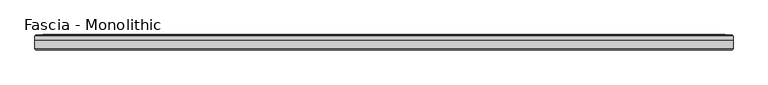
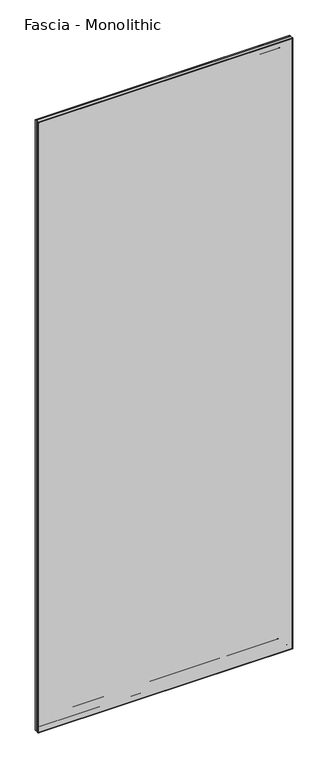
"""IFC4 building model written with IfcOpenShell, lengths in millimetres: proxy geometry, Fascia - Monolithic."""

from ifc_helpers import new_model, si_unit, frame, origin, place, context, project, spatial, ellipse_curve, source, transform, mapped, element, save
from ifc_brep_helpers import plane_surface, cylinder_surface, advanced_brep


def fascia_monolithic_7007447e(model_context):
    return source(origin(), model_context, "Body", "AdvancedBrep", [
        advanced_brep(
        [(-543.9046927, 15.8650077, 46.2434077), (543.9046927, 15.8650077, 46.2434077), (544.1741004, 16.7386, 45.974), (-544.1741004, 16.7386, 45.974), (-545.0785081, 14.6911923, 45.0695923), (545.0785081, 14.6911923, 45.0695923), (-537.9919081, 15.8650077, 52.1561923), (537.9919081, 15.8650077, 52.1561923), (536.8180927, 14.6911923, 53.3300077), (-536.8180927, 14.6911923, 53.3300077), (-537.7225004, 16.7386, 52.4256), (537.7225004, 16.7386, 52.4256), (-521.4411004, 15.5956, 68.707), (521.4411004, 15.5956, 68.707), (522.2031004, 16.7386, 67.945), (-522.2031004, 16.7386, 67.945), (-509.1221004, 8.4836, 81.026), (509.1221004, 8.4836, 81.026), (509.1221004, 15.5956, 81.026), (-509.1221004, 15.5956, 81.026), (-590.1481004, 15.2146, 0.0), (590.1481004, 15.2146, 0.0), (590.1481004, 8.4836, 0.0), (-590.1481004, 8.4836, 0.0), (-588.6241004, 16.7386, 1.524), (588.6241004, 16.7386, 1.524), (-586.5766927, 15.8650077, 3.5714077), (586.5766927, 15.8650077, 3.5714077), (586.8461004, 16.7386, 3.302), (-586.8461004, 16.7386, 3.302), (-587.7505081, 14.6911923, 2.3975923), (587.7505081, 14.6911923, 2.3975923), (-580.6639081, 15.8650077, 9.4841923), (580.6639081, 15.8650077, 9.4841923), (579.4900927, 14.6911923, 10.6580077), (-579.4900927, 14.6911923, 10.6580077), (-580.3945004, 16.7386, 9.7536), (580.3945004, 16.7386, 9.7536), (-575.5050004, 16.7386, 14.6431), (575.5050004, 16.7386, 14.6431), (577.0290004, 16.7386, 13.1191), (-577.0290004, 16.7386, 13.1191), (-569.5360004, 16.7386, 20.6121), (569.5360004, 16.7386, 20.6121), (571.9490004, 16.7386, 18.1991), (-571.9490004, 16.7386, 18.1991), (543.9046927, 15.8650077, 2946.4799923), (544.1741004, 16.7386, 2946.7494), (545.0785081, 14.6911923, 2947.6538077), (537.9919081, 15.8650077, 2940.5672077), (536.8180927, 14.6911923, 2939.3933923), (537.7225004, 16.7386, 2940.2978), (521.4411004, 15.5956, 2924.0164), (522.2031004, 16.7386, 2924.7784), (509.1221004, 8.4836, 2911.6974), (509.1221004, 15.5956, 2911.6974), (590.1481004, 15.2146, 2992.7234), (590.1481004, 8.4836, 2992.7234), (588.6241004, 16.7386, 2991.1994), (586.5766927, 15.8650077, 2989.1519923), (586.8461004, 16.7386, 2989.4214), (587.7505081, 14.6911923, 2990.3258077), (580.6639081, 15.8650077, 2983.2392077), (579.4900927, 14.6911923, 2982.0653923), (580.3945004, 16.7386, 2982.9698), (575.5050004, 16.7386, 2978.0803), (577.0290004, 16.7386, 2979.6043), (569.5360004, 16.7386, 2972.1113), (571.9490004, 16.7386, 2974.5243), (-543.9046927, 15.8650077, 2946.4799923), (-544.1741004, 16.7386, 2946.7494), (-545.0785081, 14.6911923, 2947.6538077), (-537.9919081, 15.8650077, 2940.5672077), (-536.8180927, 14.6911923, 2939.3933923), (-537.7225004, 16.7386, 2940.2978), (-521.4411004, 15.5956, 2924.0164), (-522.2031004, 16.7386, 2924.7784), (-509.1221004, 8.4836, 2911.6974), (-509.1221004, 15.5956, 2911.6974), (-590.1481004, 15.2146, 2992.7234), (-590.1481004, 8.4836, 2992.7234), (-588.6241004, 16.7386, 2991.1994), (-586.5766927, 15.8650077, 2989.1519923), (-586.8461004, 16.7386, 2989.4214), (-587.7505081, 14.6911923, 2990.3258077), (-580.6639081, 15.8650077, 2983.2392077), (-579.4900927, 14.6911923, 2982.0653923), (-580.3945004, 16.7386, 2982.9698), (-575.5050004, 16.7386, 2978.0803), (-577.0290004, 16.7386, 2979.6043), (-569.5360004, 16.7386, 2972.1113), (-571.9490004, 16.7386, 2974.5243)],
        [
            (0, 1),
            (1, 2, ellipse_curve(frame((544.2702851, 16.2306, 45.8778154), z_axis=(-0.7071067811865475, 0.0, -0.7071067811865475), x_axis=(-0.7071067811865476, 0.0, 0.7071067811865474)), 0.7311846, 0.5170256)),
            (2, 3),
            (3, 0, ellipse_curve(frame((-544.2702851, 16.2306, 45.8778154), z_axis=(0.7071067811865475, 0.0, -0.7071067811865475), x_axis=(-0.7071067811865476, 0.0, -0.7071067811865474)), 0.7311846, 0.5170256)),
            (4, 5),
            (5, 1),
            (0, 4),
            (6, 7),
            (7, 8),
            (8, 9),
            (9, 6),
            (10, 11),
            (11, 7, ellipse_curve(frame((537.6263158, 16.2306, 52.5217846), z_axis=(-0.7071067811865475, 0.0, -0.7071067811865475), x_axis=(-0.7071067811865476, 0.0, 0.7071067811865474)), 0.7311846, 0.5170256)),
            (6, 10, ellipse_curve(frame((-537.6263158, 16.2306, 52.5217846), z_axis=(0.7071067811865475, 0.0, -0.7071067811865475), x_axis=(-0.7071067811865476, 0.0, -0.7071067811865474)), 0.7311846, 0.5170256)),
            (12, 13),
            (13, 14),
            (14, 15),
            (15, 12),
            (16, 17),
            (17, 18),
            (18, 19),
            (19, 16),
            (20, 21),
            (21, 22),
            (22, 23),
            (23, 20),
            (24, 25),
            (25, 21),
            (20, 24),
            (26, 27),
            (27, 28, ellipse_curve(frame((586.9422851, 16.2306, 3.2058154), z_axis=(-0.7071067811865475, 0.0, -0.7071067811865475), x_axis=(-0.7071067811865476, 0.0, 0.7071067811865474)), 0.7311846, 0.5170256)),
            (28, 29),
            (29, 26, ellipse_curve(frame((-586.9422851, 16.2306, 3.2058154), z_axis=(0.7071067811865475, 0.0, -0.7071067811865475), x_axis=(-0.7071067811865476, 0.0, -0.7071067811865474)), 0.7311846, 0.5170256)),
            (30, 31),
            (31, 27),
            (26, 30),
            (32, 33),
            (33, 34),
            (34, 35),
            (35, 32),
            (36, 37),
            (37, 33, ellipse_curve(frame((580.2983158, 16.2306, 9.8497846), z_axis=(-0.7071067811865475, 0.0, -0.7071067811865475), x_axis=(-0.7071067811865476, 0.0, 0.7071067811865474)), 0.7311846, 0.5170256)),
            (32, 36, ellipse_curve(frame((-580.2983158, 16.2306, 9.8497846), z_axis=(0.7071067811865475, 0.0, -0.7071067811865475), x_axis=(-0.7071067811865476, 0.0, -0.7071067811865474)), 0.7311846, 0.5170256)),
            (38, 39),
            (39, 40, ellipse_curve(frame((576.2670004, 16.7386, 13.8811), z_axis=(-0.7071067811865475, 0.0, -0.7071067811865475), x_axis=(-0.7071067811865476, 0.0, 0.7071067811865474)), 1.0776307, 0.762)),
            (40, 41),
            (41, 38, ellipse_curve(frame((-576.2670004, 16.7386, 13.8811), z_axis=(0.7071067811865475, 0.0, -0.7071067811865475), x_axis=(-0.7071067811865476, 0.0, -0.7071067811865474)), 1.0776307, 0.762)),
            (42, 43),
            (43, 44, ellipse_curve(frame((570.7425004, 16.0202269, 19.4056), z_axis=(-0.7071067811865475, 0.0, -0.7071067811865475), x_axis=(-0.7071067811865476, 0.0, 0.7071067811865474)), 1.9858007, 1.4041731)),
            (44, 45),
            (45, 42, ellipse_curve(frame((-570.7425004, 16.0202269, 19.4056), z_axis=(0.7071067811865475, 0.0, -0.7071067811865475), x_axis=(-0.7071067811865476, 0.0, -0.7071067811865474)), 1.9858007, 1.4041731)),
            (1, 46),
            (46, 47, ellipse_curve(frame((544.2702851, 16.2306, 2946.8455846), z_axis=(0.7071067811865475, 0.0, -0.7071067811865475), x_axis=(-0.7071067811865474, 0.0, -0.7071067811865476)), 0.7311846, 0.5170256)),
            (47, 2),
            (5, 48),
            (48, 46),
            (7, 49),
            (49, 50),
            (50, 8),
            (11, 51),
            (51, 49, ellipse_curve(frame((537.6263158, 16.2306, 2940.2016154), z_axis=(0.7071067811865475, 0.0, -0.7071067811865475), x_axis=(-0.7071067811865474, 0.0, -0.7071067811865476)), 0.7311846, 0.5170256)),
            (13, 52),
            (52, 53),
            (53, 14),
            (17, 54),
            (54, 55),
            (55, 18),
            (21, 56),
            (56, 57),
            (57, 22),
            (25, 58),
            (58, 56),
            (27, 59),
            (59, 60, ellipse_curve(frame((586.9422851, 16.2306, 2989.5175846), z_axis=(0.7071067811865475, 0.0, -0.7071067811865475), x_axis=(-0.7071067811865474, 0.0, -0.7071067811865476)), 0.7311846, 0.5170256)),
            (60, 28),
            (31, 61),
            (61, 59),
            (33, 62),
            (62, 63),
            (63, 34),
            (37, 64),
            (64, 62, ellipse_curve(frame((580.2983158, 16.2306, 2982.8736154), z_axis=(0.7071067811865475, 0.0, -0.7071067811865475), x_axis=(-0.7071067811865474, 0.0, -0.7071067811865476)), 0.7311846, 0.5170256)),
            (39, 65),
            (65, 66, ellipse_curve(frame((576.2670004, 16.7386, 2978.8423), z_axis=(0.7071067811865475, 0.0, -0.7071067811865475), x_axis=(-0.7071067811865474, 0.0, -0.7071067811865476)), 1.0776307, 0.762)),
            (66, 40),
            (43, 67),
            (67, 68, ellipse_curve(frame((570.7425004, 16.0202269, 2973.3178), z_axis=(0.7071067811865475, 0.0, -0.7071067811865475), x_axis=(-0.7071067811865474, 0.0, -0.7071067811865476)), 1.9858007, 1.4041731)),
            (68, 44),
            (46, 69),
            (69, 70, ellipse_curve(frame((-544.2702851, 16.2306, 2946.8455846), z_axis=(0.7071067811865475, 0.0, 0.7071067811865475), x_axis=(0.7071067811865476, 0.0, -0.7071067811865474)), 0.7311846, 0.5170256)),
            (70, 47),
            (48, 71),
            (71, 69),
            (49, 72),
            (72, 73),
            (73, 50),
            (51, 74),
            (74, 72, ellipse_curve(frame((-537.6263158, 16.2306, 2940.2016154), z_axis=(0.7071067811865475, 0.0, 0.7071067811865475), x_axis=(0.7071067811865476, 0.0, -0.7071067811865474)), 0.7311846, 0.5170256)),
            (52, 75),
            (75, 76),
            (76, 53),
            (54, 77),
            (77, 78),
            (78, 55),
            (56, 79),
            (79, 80),
            (80, 57),
            (58, 81),
            (81, 79),
            (59, 82),
            (82, 83, ellipse_curve(frame((-586.9422851, 16.2306, 2989.5175846), z_axis=(0.7071067811865475, 0.0, 0.7071067811865475), x_axis=(0.7071067811865476, 0.0, -0.7071067811865474)), 0.7311846, 0.5170256)),
            (83, 60),
            (61, 84),
            (84, 82),
            (62, 85),
            (85, 86),
            (86, 63),
            (64, 87),
            (87, 85, ellipse_curve(frame((-580.2983158, 16.2306, 2982.8736154), z_axis=(0.7071067811865475, 0.0, 0.7071067811865475), x_axis=(0.7071067811865476, 0.0, -0.7071067811865474)), 0.7311846, 0.5170256)),
            (65, 88),
            (88, 89, ellipse_curve(frame((-576.2670004, 16.7386, 2978.8423), z_axis=(0.7071067811865475, 0.0, 0.7071067811865475), x_axis=(0.7071067811865476, 0.0, -0.7071067811865474)), 1.0776307, 0.762)),
            (89, 66),
            (67, 90),
            (90, 91, ellipse_curve(frame((-570.7425004, 16.0202269, 2973.3178), z_axis=(0.7071067811865475, 0.0, 0.7071067811865475), x_axis=(0.7071067811865476, 0.0, -0.7071067811865474)), 1.9858007, 1.4041731)),
            (91, 68),
            (42, 90),
            (70, 3),
            (69, 0),
            (71, 4),
            (73, 9),
            (72, 6),
            (74, 10),
            (76, 15),
            (75, 12),
            (78, 19),
            (77, 16),
            (80, 23),
            (79, 20),
            (81, 24),
            (83, 29),
            (82, 26),
            (84, 30),
            (86, 35),
            (85, 32),
            (87, 36),
            (89, 41),
            (88, 38),
            (91, 45),
        ],
        [
            cylinder_surface(frame((-590.1481004, 16.2306, 45.8778154), z_axis=(-1.0, 0.0, 0.0), x_axis=(0.0, 0.0, 1.0)), 0.5170256),
            plane_surface(frame((-543.9046927, 15.8650077, 46.2434077), z_axis=(0.0, -0.7071067813016592, 0.7071067810714359), x_axis=(1.0, 0.0, 0.0))),
            plane_surface(frame((-536.8180927, 14.6911923, 53.3300077), z_axis=(0.0, -0.7071067813016237, -0.7071067810714713), x_axis=(1.0, 0.0, 0.0))),
            cylinder_surface(frame((-590.1481004, 16.2306, 52.5217846), z_axis=(-1.0, 0.0, 0.0), x_axis=(0.0, 0.0, 1.0)), 0.5170256),
            plane_surface(frame((-522.2031004, 16.7386, 67.945), z_axis=(0.0, 0.554700195976685, 0.8320502945035398), x_axis=(1.0, 0.0, 0.0))),
            plane_surface(frame((-509.1221004, 15.5956, 81.026), z_axis=(0.0, 0.0, 1.0), x_axis=(1.0, 0.0, 0.0))),
            plane_surface(frame((-590.1481004, 8.4836, 0.0), z_axis=(0.0, 0.0, -1.0), x_axis=(1.0, 0.0, 0.0))),
            plane_surface(frame((-590.1481004, 15.2146, 0.0), z_axis=(0.0, 0.7071067811865392, -0.7071067811865558), x_axis=(1.0, 0.0, 0.0))),
            cylinder_surface(frame((-590.1481004, 16.2306, 3.2058154), z_axis=(-1.0, 0.0, 0.0), x_axis=(0.0, 0.0, 1.0)), 0.5170256),
            plane_surface(frame((-586.5766927, 15.8650077, 3.5714077), z_axis=(0.0, -0.707106781113895, 0.7071067812592001), x_axis=(1.0, 0.0, 0.0))),
            plane_surface(frame((-579.4900927, 14.6911923, 10.6580077), z_axis=(0.0, -0.7071067811880475, -0.7071067811850476), x_axis=(1.0, 0.0, 0.0))),
            cylinder_surface(frame((-590.1481004, 16.2306, 9.8497846), z_axis=(-1.0, 0.0, 0.0), x_axis=(0.0, 0.0, 1.0)), 0.5170256),
            cylinder_surface(frame((-590.1481004, 16.7386, 13.8811), z_axis=(-1.0, 0.0, 0.0), x_axis=(0.0, 0.0, 1.0)), 0.762),
            cylinder_surface(frame((-590.1481004, 16.0202269, 19.4056), z_axis=(-1.0, 0.0, 0.0), x_axis=(0.0, 0.0, 1.0)), 1.4041731),
            cylinder_surface(frame((544.2702851, 16.2306, 0.0), z_axis=(0.0, 0.0, -1.0), x_axis=(-1.0, 0.0, 0.0)), 0.5170256),
            plane_surface(frame((543.9046927, 15.8650077, 46.2434077), z_axis=(-0.7071067810714261, -0.7071067813016689, 0.0), x_axis=(0.0, 0.0, 1.0))),
            plane_surface(frame((536.8180927, 14.6911923, 53.3300077), z_axis=(0.7071067810714811, -0.707106781301614, 0.0), x_axis=(0.0, 0.0, 1.0))),
            cylinder_surface(frame((537.6263158, 16.2306, 0.0), z_axis=(0.0, 0.0, -1.0), x_axis=(-1.0, 0.0, 0.0)), 0.5170256),
            plane_surface(frame((522.2031004, 16.7386, 67.945), z_axis=(-0.8320502945035475, 0.5547001959766734, 0.0), x_axis=(0.0, 0.0, 1.0))),
            plane_surface(frame((509.1221004, 15.5956, 81.026), z_axis=(-1.0, 0.0, 0.0), x_axis=(0.0, 0.0, 1.0))),
            plane_surface(frame((590.1481004, 8.4836, 0.0), z_axis=(1.0, 0.0, 0.0), x_axis=(0.0, 0.0, 1.0))),
            plane_surface(frame((590.1481004, 15.2146, 0.0), z_axis=(0.707106781186546, 0.707106781186549, 0.0), x_axis=(0.0, 0.0, 1.0))),
            cylinder_surface(frame((586.9422851, 16.2306, 0.0), z_axis=(0.0, 0.0, -1.0), x_axis=(-1.0, 0.0, 0.0)), 0.5170256),
            plane_surface(frame((586.5766927, 15.8650077, 3.5714077), z_axis=(-0.7071067812591904, -0.7071067811139048, 0.0), x_axis=(0.0, 0.0, 1.0))),
            plane_surface(frame((579.4900927, 14.6911923, 10.6580077), z_axis=(0.7071067811850573, -0.7071067811880377, 0.0), x_axis=(0.0, 0.0, 1.0))),
            cylinder_surface(frame((580.2983158, 16.2306, 0.0), z_axis=(0.0, 0.0, -1.0), x_axis=(-1.0, 0.0, 0.0)), 0.5170256),
            cylinder_surface(frame((576.2670004, 16.7386, 0.0), z_axis=(0.0, 0.0, -1.0), x_axis=(-1.0, 0.0, 0.0)), 0.762),
            cylinder_surface(frame((570.7425004, 16.0202269, 0.0), z_axis=(0.0, 0.0, -1.0), x_axis=(-1.0, 0.0, 0.0)), 1.4041731),
            cylinder_surface(frame((590.1481004, 16.2306, 2946.8455846), z_axis=(1.0, 0.0, 0.0), x_axis=(0.0, 0.0, -1.0)), 0.5170256),
            plane_surface(frame((543.9046927, 15.8650077, 2946.4799923), z_axis=(0.0, -0.7071067813016787, -0.7071067810714163), x_axis=(-1.0, 0.0, 0.0))),
            plane_surface(frame((536.8180927, 14.6911923, 2939.3933923), z_axis=(0.0, -0.7071067813016042, 0.7071067810714908), x_axis=(-1.0, 0.0, 0.0))),
            cylinder_surface(frame((590.1481004, 16.2306, 2940.2016154), z_axis=(1.0, 0.0, 0.0), x_axis=(0.0, 0.0, -1.0)), 0.5170256),
            plane_surface(frame((522.2031004, 16.7386, 2924.7784), z_axis=(0.0, 0.5547001959766619, -0.8320502945035552), x_axis=(-1.0, 0.0, 0.0))),
            plane_surface(frame((509.1221004, 15.5956, 2911.6974), z_axis=(0.0, 0.0, -1.0), x_axis=(-1.0, 0.0, 0.0))),
            plane_surface(frame((590.1481004, 8.4836, 2992.7234), z_axis=(0.0, 0.0, 1.0), x_axis=(-1.0, 0.0, 0.0))),
            plane_surface(frame((590.1481004, 15.2146, 2992.7234), z_axis=(0.0, 0.7071067811865588, 0.7071067811865362), x_axis=(-1.0, 0.0, 0.0))),
            cylinder_surface(frame((590.1481004, 16.2306, 2989.5175846), z_axis=(1.0, 0.0, 0.0), x_axis=(0.0, 0.0, -1.0)), 0.5170256),
            plane_surface(frame((586.5766927, 15.8650077, 2989.1519923), z_axis=(0.0, -0.7071067811139146, -0.7071067812591806), x_axis=(-1.0, 0.0, 0.0))),
            plane_surface(frame((579.4900927, 14.6911923, 2982.0653923), z_axis=(0.0, -0.7071067811880279, 0.7071067811850671), x_axis=(-1.0, 0.0, 0.0))),
            cylinder_surface(frame((590.1481004, 16.2306, 2982.8736154), z_axis=(1.0, 0.0, 0.0), x_axis=(0.0, 0.0, -1.0)), 0.5170256),
            cylinder_surface(frame((590.1481004, 16.7386, 2978.8423), z_axis=(1.0, 0.0, 0.0), x_axis=(0.0, 0.0, -1.0)), 0.762),
            cylinder_surface(frame((590.1481004, 16.0202269, 2973.3178), z_axis=(1.0, 0.0, 0.0), x_axis=(0.0, 0.0, -1.0)), 1.4041731),
            plane_surface(frame((-569.5360004, 16.7386, 2972.1113), z_axis=(0.0, 1.0, 0.0), x_axis=(0.0, 0.0, -1.0))),
            cylinder_surface(frame((-544.2702851, 16.2306, 2992.7234), z_axis=(0.0, 0.0, 1.0), x_axis=(1.0, 0.0, 0.0)), 0.5170256),
            plane_surface(frame((-543.9046927, 15.8650077, 2946.4799923), z_axis=(0.7071067810714261, -0.7071067813016689, 0.0), x_axis=(0.0, 0.0, -1.0))),
            plane_surface(frame((-545.0785081, 14.6911923, 2947.6538077), z_axis=(0.0, 1.0, 0.0), x_axis=(0.0, 0.0, -1.0))),
            plane_surface(frame((-536.8180927, 14.6911923, 2939.3933923), z_axis=(-0.7071067810714811, -0.707106781301614, 0.0), x_axis=(0.0, 0.0, -1.0))),
            cylinder_surface(frame((-537.6263158, 16.2306, 2992.7234), z_axis=(0.0, 0.0, 1.0), x_axis=(1.0, 0.0, 0.0)), 0.5170256),
            plane_surface(frame((-537.7225004, 16.7386, 2940.2978), z_axis=(0.0, 1.0, 0.0), x_axis=(0.0, 0.0, -1.0))),
            plane_surface(frame((-522.2031004, 16.7386, 2924.7784), z_axis=(0.8320502945035475, 0.5547001959766734, 0.0), x_axis=(0.0, 0.0, -1.0))),
            plane_surface(frame((-521.4411004, 15.5956, 2924.0164), z_axis=(0.0, 1.0, 0.0), x_axis=(0.0, 0.0, -1.0))),
            plane_surface(frame((-509.1221004, 15.5956, 2911.6974), z_axis=(1.0, 0.0, 0.0), x_axis=(0.0, 0.0, -1.0))),
            plane_surface(frame((-509.1221004, 8.4836, 2911.6974), z_axis=(0.0, -1.0, 0.0), x_axis=(0.0, 0.0, -1.0))),
            plane_surface(frame((-590.1481004, 8.4836, 2992.7234), z_axis=(-1.0, 0.0, 0.0), x_axis=(0.0, 0.0, -1.0))),
            plane_surface(frame((-590.1481004, 15.2146, 2992.7234), z_axis=(-0.707106781186546, 0.707106781186549, 0.0), x_axis=(0.0, 0.0, -1.0))),
            plane_surface(frame((-588.6241004, 16.7386, 2991.1994), z_axis=(0.0, 1.0, 0.0), x_axis=(0.0, 0.0, -1.0))),
            cylinder_surface(frame((-586.9422851, 16.2306, 2992.7234), z_axis=(0.0, 0.0, 1.0), x_axis=(1.0, 0.0, 0.0)), 0.5170256),
            plane_surface(frame((-586.5766927, 15.8650077, 2989.1519923), z_axis=(0.7071067812591904, -0.7071067811139048, 0.0), x_axis=(0.0, 0.0, -1.0))),
            plane_surface(frame((-587.7505081, 14.6911923, 2990.3258077), z_axis=(0.0, 1.0, 0.0), x_axis=(0.0, 0.0, -1.0))),
            plane_surface(frame((-579.4900927, 14.6911923, 2982.0653923), z_axis=(-0.7071067811850573, -0.7071067811880377, 0.0), x_axis=(0.0, 0.0, -1.0))),
            cylinder_surface(frame((-580.2983158, 16.2306, 2992.7234), z_axis=(0.0, 0.0, 1.0), x_axis=(1.0, 0.0, 0.0)), 0.5170256),
            plane_surface(frame((-580.3945004, 16.7386, 2982.9698), z_axis=(0.0, 1.0, 0.0), x_axis=(0.0, 0.0, -1.0))),
            cylinder_surface(frame((-576.2670004, 16.7386, 2992.7234), z_axis=(0.0, 0.0, 1.0), x_axis=(1.0, 0.0, 0.0)), 0.762),
            plane_surface(frame((-575.5050004, 16.7386, 2978.0803), z_axis=(0.0, 1.0, 0.0), x_axis=(0.0, 0.0, -1.0))),
            cylinder_surface(frame((-570.7425004, 16.0202269, 2992.7234), z_axis=(0.0, 0.0, 1.0), x_axis=(1.0, 0.0, 0.0)), 1.4041731),
        ],
        [
            (0, [[1, 2, 3, 4]]),
            (1, [[5, 6, -1, 7]]),
            (2, [[8, 9, 10, 11]]),
            (3, [[12, 13, -8, 14]]),
            (4, [[15, 16, 17, 18]]),
            (5, [[19, 20, 21, 22]]),
            (6, [[23, 24, 25, 26]]),
            (7, [[27, 28, -23, 29]]),
            (8, [[30, 31, 32, 33]]),
            (9, [[34, 35, -30, 36]]),
            (10, [[37, 38, 39, 40]]),
            (11, [[41, 42, -37, 43]]),
            (12, [[44, 45, 46, 47]]),
            (13, [[48, 49, 50, 51]]),
            (14, [[52, 53, 54, -2]]),
            (15, [[55, 56, -52, -6]]),
            (16, [[57, 58, 59, -9]]),
            (17, [[60, 61, -57, -13]]),
            (18, [[62, 63, 64, -16]]),
            (19, [[65, 66, 67, -20]]),
            (20, [[68, 69, 70, -24]]),
            (21, [[71, 72, -68, -28]]),
            (22, [[73, 74, 75, -31]]),
            (23, [[76, 77, -73, -35]]),
            (24, [[78, 79, 80, -38]]),
            (25, [[81, 82, -78, -42]]),
            (26, [[83, 84, 85, -45]]),
            (27, [[86, 87, 88, -49]]),
            (28, [[89, 90, 91, -53]]),
            (29, [[92, 93, -89, -56]]),
            (30, [[94, 95, 96, -58]]),
            (31, [[97, 98, -94, -61]]),
            (32, [[99, 100, 101, -63]]),
            (33, [[102, 103, 104, -66]]),
            (34, [[105, 106, 107, -69]]),
            (35, [[108, 109, -105, -72]]),
            (36, [[110, 111, 112, -74]]),
            (37, [[113, 114, -110, -77]]),
            (38, [[115, 116, 117, -79]]),
            (39, [[118, 119, -115, -82]]),
            (40, [[120, 121, 122, -84]]),
            (41, [[123, 124, 125, -87]]),
            (42, [[-48, 126, -123, -86], [-3, -54, -91, 127]]),
            (43, [[128, -4, -127, -90]]),
            (44, [[129, -7, -128, -93]]),
            (45, [[-5, -129, -92, -55], [-10, -59, -96, 130]]),
            (46, [[131, -11, -130, -95]]),
            (47, [[132, -14, -131, -98]]),
            (48, [[-12, -132, -97, -60], [-17, -64, -101, 133]]),
            (49, [[134, -18, -133, -100]]),
            (50, [[-15, -134, -99, -62], [-21, -67, -104, 135]]),
            (51, [[136, -22, -135, -103]]),
            (52, [[-25, -70, -107, 137], [-19, -136, -102, -65]]),
            (53, [[138, -26, -137, -106]]),
            (54, [[139, -29, -138, -109]]),
            (55, [[-27, -139, -108, -71], [-32, -75, -112, 140]]),
            (56, [[141, -33, -140, -111]]),
            (57, [[142, -36, -141, -114]]),
            (58, [[-34, -142, -113, -76], [-39, -80, -117, 143]]),
            (59, [[144, -40, -143, -116]]),
            (60, [[145, -43, -144, -119]]),
            (61, [[-41, -145, -118, -81], [-46, -85, -122, 146]]),
            (62, [[147, -47, -146, -121]]),
            (63, [[-44, -147, -120, -83], [-50, -88, -125, 148]]),
            (64, [[-126, -51, -148, -124]]),
        ],
    ),
        advanced_brep(
        [(-590.1481004, 8.4836, 2992.7234), (-590.1481004, -6.1862895, 2992.7234), (590.1481004, -6.1862895, 2992.7234), (590.1481004, 8.4836, 2992.7234), (590.1481004, 8.4836, 0.0), (590.1481004, -6.1862895, 0.0), (-590.1481004, -6.1862895, 0.0), (-590.1481004, 8.4836, 0.0), (587.8507899, -8.4836, 2.2973105), (587.8507899, -8.4836, 2990.4260895), (-587.8507899, -8.4836, 2990.4260895), (-587.8507899, -8.4836, 2.2973105)],
        [
            (0, 1),
            (1, 2),
            (2, 3),
            (3, 0),
            (4, 5),
            (5, 6),
            (6, 7),
            (7, 4),
            (8, 9),
            (9, 10),
            (10, 11),
            (11, 8),
            (6, 1),
            (0, 7),
            (3, 4),
            (2, 5),
            (11, 6, ellipse_curve(frame((-587.8507899, -6.1862895, 2.2973105), z_axis=(0.7071067811865475, 0.0, -0.7071067811865475), x_axis=(0.7071067811865476, 0.0, 0.7071067811865474)), 3.2488876, 2.2973105)),
            (5, 8, ellipse_curve(frame((587.8507899, -6.1862895, 2.2973105), z_axis=(-0.7071067811865475, 0.0, -0.7071067811865475), x_axis=(0.7071067811865476, 0.0, -0.7071067811865474)), 3.2488876, 2.2973105)),
            (2, 9, ellipse_curve(frame((587.8507899, -6.1862895, 2990.4260895), z_axis=(0.7071067811865475, 0.0, -0.7071067811865475), x_axis=(0.7071067811865474, 0.0, 0.7071067811865476)), 3.2488876, 2.2973105)),
            (1, 10, ellipse_curve(frame((-587.8507899, -6.1862895, 2990.4260895), z_axis=(0.7071067811865475, 0.0, 0.7071067811865475), x_axis=(-0.7071067811865476, 0.0, 0.7071067811865474)), 3.2488876, 2.2973105)),
        ],
        [
            plane_surface(frame((0.0, -198.5529455, 2992.7234), z_axis=(0.0, 0.0, 1.0), x_axis=(0.0, 1.0, 0.0))),
            plane_surface(frame((0.0, -198.5529455, 0.0), z_axis=(0.0, 0.0, -1.0), x_axis=(0.0, 1.0, 0.0))),
            plane_surface(frame((590.1481004, -8.4836, 2992.7234), z_axis=(0.0, -1.0, 0.0), x_axis=(0.0, 0.0, -1.0))),
            plane_surface(frame((-590.1481004, -8.4836, 2992.7234), z_axis=(-1.0, 0.0, 0.0), x_axis=(0.0, 0.0, -1.0))),
            plane_surface(frame((-590.1481004, 8.4836, 2992.7234), z_axis=(0.0, 1.0, 0.0), x_axis=(0.0, 0.0, -1.0))),
            plane_surface(frame((590.1481004, 8.4836, 2992.7234), z_axis=(1.0, 0.0, 0.0), x_axis=(0.0, 0.0, -1.0))),
            cylinder_surface(frame((-590.1481004, -6.1862895, 2.2973105), z_axis=(1.0, 0.0, 0.0), x_axis=(0.0, 1.0, 0.0)), 2.2973105),
            cylinder_surface(frame((587.8507899, -6.1862895, 0.0), z_axis=(0.0, 0.0, 1.0), x_axis=(0.0, 1.0, 0.0)), 2.2973105),
            cylinder_surface(frame((590.1481004, -6.1862895, 2990.4260895), z_axis=(-1.0, 0.0, 0.0), x_axis=(0.0, 1.0, 0.0)), 2.2973105),
            cylinder_surface(frame((-587.8507899, -6.1862895, 2992.7234), z_axis=(0.0, 0.0, -1.0), x_axis=(0.0, 1.0, 0.0)), 2.2973105),
        ],
        [
            (0, [[1, 2, 3, 4]]),
            (1, [[5, 6, 7, 8]]),
            (2, [[9, 10, 11, 12]]),
            (3, [[-7, 13, -1, 14]]),
            (4, [[15, -8, -14, -4]]),
            (5, [[-3, 16, -5, -15]]),
            (6, [[-12, 17, -6, 18]]),
            (7, [[-16, 19, -9, -18]]),
            (8, [[-2, 20, -10, -19]]),
            (9, [[-11, -20, -13, -17]]),
        ],
    ),
    ])


if __name__ == "__main__":
    model = new_model("IFC4")
    model_context = context("Model", 3, world=origin())
    ifc_project = project(units=[si_unit("LENGTHUNIT", "METRE", prefix="MILLI")], contexts=[model_context])
    site = spatial("IfcSite", under=ifc_project)
    building = spatial("IfcBuilding", under=site)
    placement = place(None, origin())
    fascia_monolithic_shape = fascia_monolithic_7007447e(model_context)
    element("IfcBuildingElementProxy", 1, Name="Fascia - Monolithic", ObjectType="Fascia - Monolithic", at=placement, inside=building, context=model_context, shape_type="MappedRepresentation", body=[
        mapped(fascia_monolithic_shape, transform((0.0, 0.0, 0.0), x_axis=(1.0, 0.0, 0.0), y_axis=(0.0, 1.0, 0.0), z_axis=(0.0, 0.0, 1.0))),
    ])
    save(model, "model.ifc")
